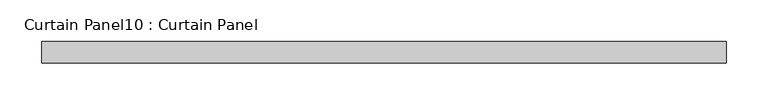
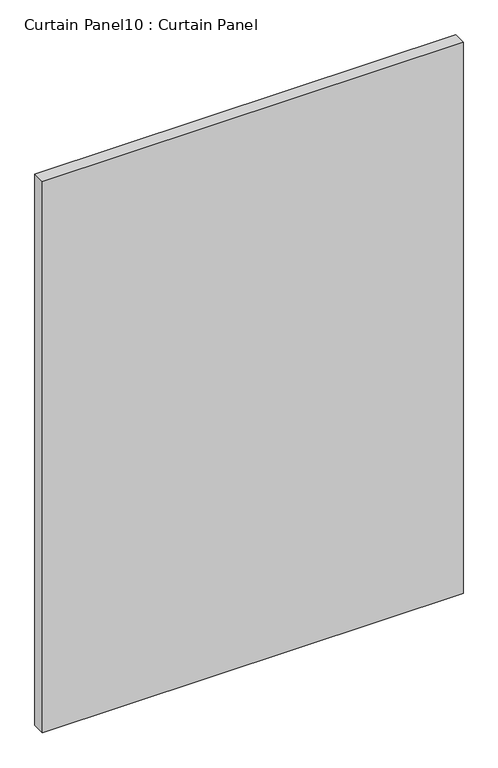
"""IFC4 building model written with IfcOpenShell, lengths in millimetres: plate geometry, Curtain Panel10 : Curtain Panel."""

import ifcopenshell
import ifcopenshell.guid

model = None  # the IFC model being written
_history = None  # IfcOwnerHistory: only IFC2X3 demands one
_inside = {}  # id of a spatial element -> (the spatial element, [elements in it])
_under = {}  # id of a project, library or spatial element -> (it, [spatial elements below it])
_declared = {}  # id of a project -> (the project, [libraries it declares])
_typed = {}  # id of a type object -> (the type object, [elements of that type])
_made_of = {}  # id of a material, layer set ... -> (it, [elements and type objects made of it])


def new_model(schema):
    """Start an empty IFC model of exactly this schema.

    Asked for "IFC4X3", IfcOpenShell would pick the latest addendum, in which some entities
    have other attributes; the version numbers below select the first issue.
    IFC2X3 requires an IfcOwnerHistory on every rooted entity: one is made here for all.
    """
    global model, _history
    if schema == "IFC4X3":
        model = ifcopenshell.file(schema_version=(4, 3, 0, 0))
    else:
        model = ifcopenshell.file(schema=schema)
    _inside.clear()
    _under.clear()
    _declared.clear()
    _typed.clear()
    _made_of.clear()
    _history = None
    if model.schema == "IFC2X3":
        org = make("IfcOrganization", Name="unknown")
        user = make(
            "IfcPersonAndOrganization",
            ThePerson=make("IfcPerson", FamilyName="unknown"),
            TheOrganization=org,
        )
        app = make(
            "IfcApplication",
            ApplicationDeveloper=org,
            Version="unknown",
            ApplicationFullName="unknown",
            ApplicationIdentifier="unknown",
        )
        _history = make(
            "IfcOwnerHistory",
            OwningUser=user,
            OwningApplication=app,
            ChangeAction="ADDED",
            CreationDate=0,
        )
    return model


def make(cls, **values):
    """One entity of the class cls with the attributes given. An attribute that is None is left unset."""
    return model.create_entity(
        cls, **{name: value for name, value in values.items() if value is not None}
    )


def rooted(cls, **values):
    """An entity with a GlobalId (a new one), such as an element, a storey or a relation."""
    return make(cls, GlobalId=ifcopenshell.guid.new(), OwnerHistory=_history, **values)


def si_unit(unit_type, name, prefix=None):
    """IfcSIUnit, for example si_unit("LENGTHUNIT", "METRE", prefix="MILLI")."""
    return make("IfcSIUnit", UnitType=unit_type, Prefix=prefix, Name=name)


def assignment(units):
    """IfcUnitAssignment: the units of a project."""
    return None if units is None else make("IfcUnitAssignment", Units=units)


def point(xyz):
    """IfcCartesianPoint."""
    return None if xyz is None else make("IfcCartesianPoint", Coordinates=xyz)


def direction(xyz):
    """IfcDirection."""
    return None if xyz is None else make("IfcDirection", DirectionRatios=xyz)


def frame(location, z_axis=None, x_axis=None):
    """IfcAxis2Placement3D, a coordinate frame: its origin and axes. An axis left out is left unset."""
    return make(
        "IfcAxis2Placement3D",
        Location=point(location),
        Axis=direction(z_axis),
        RefDirection=direction(x_axis),
    )


def origin():
    """The frame at (0, 0, 0) with its axes left unset."""
    return frame((0.0, 0.0, 0.0))


def place(relative_to, where):
    """IfcLocalPlacement: puts the frame where relative to a parent placement (None: the world)."""
    return make(
        "IfcLocalPlacement", PlacementRelTo=relative_to, RelativePlacement=where
    )


def context(
    kind, dimensions, precision=None, world=None, true_north=None, identifier=None
):
    """IfcGeometricRepresentationContext, for example the 3D "Model" context."""
    return make(
        "IfcGeometricRepresentationContext",
        ContextIdentifier=identifier,
        ContextType=kind,
        CoordinateSpaceDimension=dimensions,
        Precision=precision,
        WorldCoordinateSystem=world,
        TrueNorth=true_north,
    )


def project(units=None, contexts=None):
    """IfcProject with its units and contexts."""
    return rooted(
        "IfcProject",
        Name="project",
        RepresentationContexts=contexts,
        UnitsInContext=assignment(units),
    )


def spatial(cls, under=None, at=None, **own):
    """A site, building, storey or space (cls), placed at a placement, below another one or the project."""
    s = rooted(cls, ObjectPlacement=at, **own)
    if under is not None:
        _under.setdefault(under.id(), (under, []))[1].append(s)
    return s


def polyline(points):
    """IfcPolyline through the points."""
    return make("IfcPolyline", Points=[point(p) for p in points])


def outline(outer, holes=None, kind="AREA"):
    """IfcArbitraryClosedProfileDef: a profile drawn as a closed curve; with holes, ...WithVoids."""
    if holes is None:
        return make("IfcArbitraryClosedProfileDef", ProfileType=kind, OuterCurve=outer)
    return make(
        "IfcArbitraryProfileDefWithVoids",
        ProfileType=kind,
        OuterCurve=outer,
        InnerCurves=holes,
    )


def extrude(swept, where, along, depth):
    """IfcExtrudedAreaSolid: the profile swept, set in the frame where, extruded along a direction by depth."""
    return make(
        "IfcExtrudedAreaSolid",
        SweptArea=swept,
        Position=where,
        ExtrudedDirection=direction(along),
        Depth=depth,
    )


def shape(context_of_items, identifier, shape_type, items):
    """IfcShapeRepresentation: the items that make up one representation, for example the "Body"."""
    return make(
        "IfcShapeRepresentation",
        ContextOfItems=context_of_items,
        RepresentationIdentifier=identifier,
        RepresentationType=shape_type,
        Items=items,
    )


def source(mapping_origin, context_of_items, identifier, shape_type, items):
    """IfcRepresentationMap: a shape defined once, which mapped items show again and again."""
    return make(
        "IfcRepresentationMap",
        MappingOrigin=mapping_origin,
        MappedRepresentation=shape(context_of_items, identifier, shape_type, items),
    )


def transform(
    local_origin,
    x_axis=None,
    y_axis=None,
    z_axis=None,
    scale=None,
    scale2=None,
    scale3=None,
    uniform=True,
):
    """IfcCartesianTransformationOperator3D, or its non-uniform kind. x_axis, y_axis, z_axis: its Axis1, 2, 3."""
    if uniform:
        return make(
            "IfcCartesianTransformationOperator3D",
            Axis1=direction(x_axis),
            Axis2=direction(y_axis),
            LocalOrigin=point(local_origin),
            Scale=scale,
            Axis3=direction(z_axis),
        )
    return make(
        "IfcCartesianTransformationOperator3DnonUniform",
        Axis1=direction(x_axis),
        Axis2=direction(y_axis),
        LocalOrigin=point(local_origin),
        Scale=scale,
        Axis3=direction(z_axis),
        Scale2=scale2,
        Scale3=scale3,
    )


def mapped(mapping_source, mapping_target):
    """IfcMappedItem: shows the shape of a source again, moved by a transform."""
    return make(
        "IfcMappedItem", MappingSource=mapping_source, MappingTarget=mapping_target
    )


def made_of(thing, what):
    """Note that an element or type object is made of a material, layer set ...; save() writes the relation."""
    if what is not None:
        _made_of.setdefault(what.id(), (what, []))[1].append(thing)
    return thing


def element(
    cls,
    number,
    at=None,
    inside=None,
    cuts=None,
    type_object=None,
    material=None,
    context=None,
    identifier="Body",
    shape_type=None,
    held_by="IfcProductDefinitionShape",
    body=None,
    shapes=None,
    **own,
):
    """One element of the class cls, such as IfcWall. Its Tag is "e" and its number.

    at: its placement. inside: the storey or other place that contains it. cuts: it is an
    opening in that element (IfcRelVoidsElement). A single representation is given by context,
    identifier, shape_type and body (its items); several are given by shapes. held_by: the class
    of the entity that holds the representations. save() writes the other relations.
    """
    e = rooted(cls, Tag="e%d" % number, ObjectPlacement=at, **own)
    if body is not None:
        shapes = [shape(context, identifier, shape_type, body)]
    if shapes is not None:
        e.Representation = make(held_by, Representations=shapes)
    if inside is not None:
        _inside.setdefault(inside.id(), (inside, []))[1].append(e)
    if cuts is not None:
        rooted(
            "IfcRelVoidsElement", RelatingBuildingElement=cuts, RelatedOpeningElement=e
        )
    if type_object is not None:
        _typed.setdefault(type_object.id(), (type_object, []))[1].append(e)
    return made_of(e, material)


def aggregate(whole, parts):
    """IfcRelAggregates: a whole, such as a stair, and the parts it consists of."""
    return rooted("IfcRelAggregates", RelatingObject=whole, RelatedObjects=parts)


def save(model, path):
    """Write the relations noted so far, then the file.

    IfcRelAggregates (storeys below a building ...), IfcRelContainedInSpatialStructure (elements
    in a storey), IfcRelDefinesByType, IfcRelAssociatesMaterial and IfcRelDeclares: one each for
    every whole, place, type object, material and project.
    """
    for whole, parts in _under.values():
        aggregate(whole, parts)
    for where, things in _inside.values():
        rooted(
            "IfcRelContainedInSpatialStructure",
            RelatedElements=things,
            RelatingStructure=where,
        )
    for kind, things in _typed.values():
        rooted("IfcRelDefinesByType", RelatedObjects=things, RelatingType=kind)
    for what, things in _made_of.values():
        rooted("IfcRelAssociatesMaterial", RelatedObjects=things, RelatingMaterial=what)
    for by, libraries in _declared.values():
        rooted("IfcRelDeclares", RelatingContext=by, RelatedDefinitions=libraries)
    model.write(path)


def curtain_panel10_curtain_panel_73d8b36a(model_context):
    return source(origin(), model_context, "Body", "SweptSolid", [
        extrude(outline(polyline([(-53413.3245475, -2015.4148911), (-54229.4519479, -2015.4148911), (-54229.4519479, -1990.0148911), (-53413.3245475, -1990.0148911), (-53413.3245475, -2015.4148911)])), frame((0.0, 0.0, 54.7624), z_axis=(0.0, 0.0, 1.0), x_axis=(1.0, 0.0, 0.0)), (0.0, 0.0, 1.0), 1131.1114999),
    ])


if __name__ == "__main__":
    model = new_model("IFC4")
    model_context = context("Model", 3, world=origin())
    ifc_project = project(units=[si_unit("LENGTHUNIT", "METRE", prefix="MILLI")], contexts=[model_context])
    site = spatial("IfcSite", under=ifc_project)
    building = spatial("IfcBuilding", under=site)
    placement = place(None, origin())
    curtain_panel10_curtain_panel_shape = curtain_panel10_curtain_panel_73d8b36a(model_context)
    element("IfcPlate", 1, ObjectType="Curtain Panel10 : Curtain Panel", at=placement, inside=building, context=model_context, shape_type="MappedRepresentation", body=[
        mapped(curtain_panel10_curtain_panel_shape, transform((0.0, 0.0, 0.0), x_axis=(1.0, 0.0, 0.0), y_axis=(0.0, 1.0, 0.0), z_axis=(0.0, 0.0, 1.0))),
    ])
    save(model, "model.ifc")
